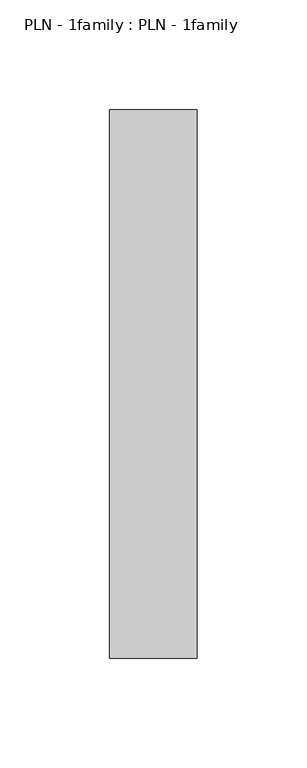
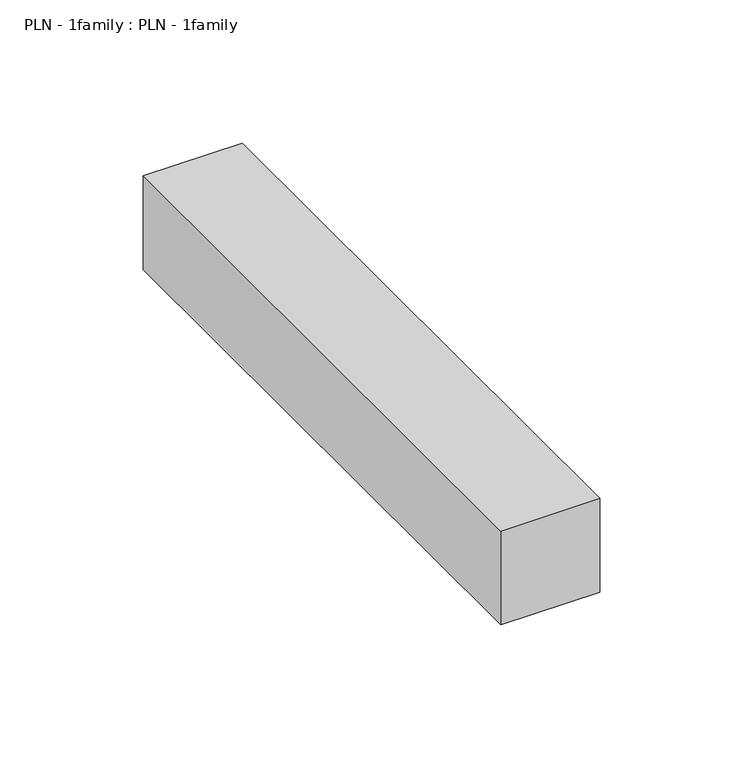
"""IFC4 building model written with IfcOpenShell, lengths in millimetres: proxy geometry, PLN - 1family : PLN - 1family."""

from ifc_helpers import new_model, si_unit, frame, origin, place, context, project, spatial, polyline, outline, extrude, source, transform, mapped, element, save


def pln_1family_pln_1family_87d7128b(model_context):
    return source(origin(), model_context, "Body", "SweptSolid", [
        extrude(outline(polyline([(0.0, 250.0), (40.0, 250.0), (40.0, 0.0), (0.0, 0.0), (0.0, 250.0)])), frame((0.0, 0.0, 250.0), z_axis=(0.0, 0.0, 1.0), x_axis=(1.0, 0.0, 0.0)), (0.0, 0.0, 1.0), 40.0),
    ])


if __name__ == "__main__":
    model = new_model("IFC4")
    model_context = context("Model", 3, world=origin())
    ifc_project = project(units=[si_unit("LENGTHUNIT", "METRE", prefix="MILLI")], contexts=[model_context])
    site = spatial("IfcSite", under=ifc_project)
    building = spatial("IfcBuilding", under=site)
    placement = place(None, origin())
    pln_1family_pln_1family_shape = pln_1family_pln_1family_87d7128b(model_context)
    element("IfcBuildingElementProxy", 1, Name="PLN - 1family : PLN - 1family", ObjectType="PLN - 1family : PLN - 1family", at=placement, inside=building, context=model_context, shape_type="MappedRepresentation", body=[
        mapped(pln_1family_pln_1family_shape, transform((0.0, 0.0, 0.0), x_axis=(1.0, 0.0, 0.0), y_axis=(0.0, 1.0, 0.0), z_axis=(0.0, 0.0, 1.0))),
    ])
    save(model, "model.ifc")
